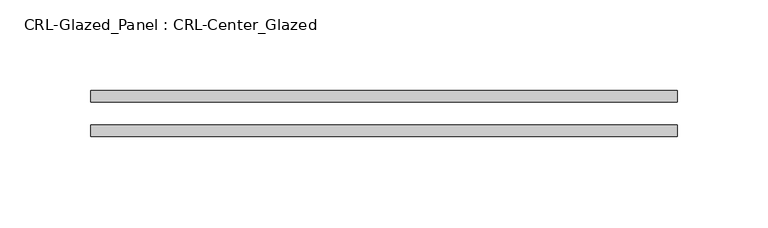
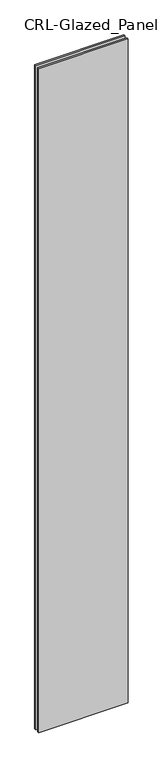
"""IFC4 building model written with IfcOpenShell, lengths in millimetres: plate geometry, CRL-Glazed_Panel : CRL-Center_Glazed."""

from ifc_helpers import new_model, si_unit, origin, origin_with_axes, place, context, project, spatial, polyline, outline, extrude, source, transform, mapped, element, save


def crl_glazed_panel_crl_center_glazed_f18202bc(model_context):
    return source(origin(), model_context, "Body", "SweptSolid", [
        extrude(outline(polyline([(161.8944344, 12.7), (161.8944344, 6.35), (-161.8944344, 6.35), (-161.8944344, 12.7), (161.8944344, 12.7)])), origin_with_axes(), (0.0, 0.0, 1.0), 2544.9534064),
        extrude(outline(polyline([(-161.8944344, -6.35), (161.8944344, -6.35), (161.8944344, -12.7), (-161.8944344, -12.7), (-161.8944344, -6.35)])), origin_with_axes(), (0.0, 0.0, 1.0), 2544.9534064),
    ])


if __name__ == "__main__":
    model = new_model("IFC4")
    model_context = context("Model", 3, world=origin())
    ifc_project = project(units=[si_unit("LENGTHUNIT", "METRE", prefix="MILLI")], contexts=[model_context])
    site = spatial("IfcSite", under=ifc_project)
    building = spatial("IfcBuilding", under=site)
    placement = place(None, origin())
    crl_glazed_panel_crl_center_glazed_shape = crl_glazed_panel_crl_center_glazed_f18202bc(model_context)
    element("IfcPlate", 1, ObjectType="CRL-Glazed_Panel : CRL-Center_Glazed", at=placement, inside=building, context=model_context, shape_type="MappedRepresentation", body=[
        mapped(crl_glazed_panel_crl_center_glazed_shape, transform((0.0, 0.0, 0.0), x_axis=(1.0, 0.0, 0.0), y_axis=(0.0, 1.0, 0.0), z_axis=(0.0, 0.0, 1.0))),
    ])
    save(model, "model.ifc")
